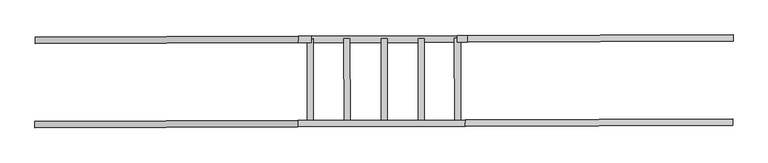
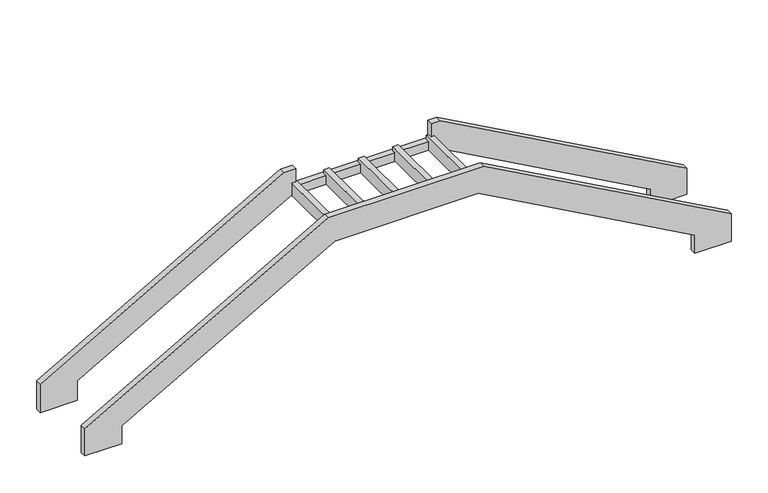
"""IFC4 building model written with IfcOpenShell, lengths in millimetres: stair geometry."""

from ifc_helpers import new_model, si_unit, origin, place, context, project, spatial, faceted_brep, source, transform, mapped, element, save


def stair_33ac8c1d(model_context):
    return source(origin(), model_context, "Body", "Brep", [
        faceted_brep([(-28758.4966228, 100265.217932, -2149.9020301), (-25200.397339, 100278.1735122, -151.1765302), (-22801.1463202, 100286.9095498, -151.1765302), (-19184.2280679, 100300.0792989, -2162.107626), (-19184.2280679, 100300.0792989, -2483.2639797), (-18574.5668592, 100302.299168, -2483.2639797), (-18574.5668592, 100302.299168, -2004.1489021), (-22716.6520989, 100287.2172061, 298.7640832), (-25312.0433487, 100277.7669922, 298.7640832), (-29378.113204, 100262.9618138, -1985.3086354), (-29378.113204, 100262.9618138, -2464.9395685), (-28758.4966228, 100265.217932, -2464.9395685), (-28758.8614496, 100365.4133641, -2149.9020301), (-28758.8614496, 100365.4133641, -2464.9395685), (-29378.4780308, 100363.157246, -2464.9395685), (-29378.4780308, 100363.157246, -1985.3086354), (-25312.4081755, 100377.9624243, 298.7640832), (-22717.0169257, 100387.4126383, 298.7640832), (-18574.931686, 100402.4946001, -2004.1489021), (-18574.931686, 100402.4946001, -2483.2639797), (-19184.5928947, 100400.274731, -2483.2639797), (-19184.5928947, 100400.274731, -2162.107626), (-22801.511147, 100387.104982, -151.1765302), (-25200.7621658, 100378.3689444, -151.1765302), (-25160.3564857, 100378.5160676, -143.9867204), (-25065.384172, 100378.8618762, -143.9867204), (-25065.384172, 100378.8618762, 70.875), (-25160.3564857, 100378.5160676, 70.875), (-24592.1597816, 100380.5849581, -143.9867204), (-24497.187468, 100380.9307668, -143.9867204), (-24497.187468, 100380.9307668, 70.875), (-24592.1597816, 100380.5849581, 70.875), (-24015.3853225, 100382.6850816, -143.9867204), (-23920.4130089, 100383.0308902, -143.9867204), (-23920.4130089, 100383.0308902, 70.875), (-24015.3853225, 100382.6850816, 70.875), (-23442.3330489, 100384.771652, -143.9867204), (-23347.3607352, 100385.1174607, -143.9867204), (-23347.3607352, 100385.1174607, 70.875), (-23442.3330489, 100384.771652, 70.875), (-22882.1014762, 100386.8115403, -143.9867204), (-22784.6291792, 100387.1664518, -143.9867204), (-22784.6291792, 100387.1664518, 70.875), (-22882.1014762, 100386.8115403, 70.875), (-28753.2401381, 101567.9873908, -2153.4503186), (-25188.8242476, 101580.9659708, -151.1765302), (-22761.8968581, 101589.8027823, -151.1765302), (-19178.9715832, 101602.8487577, -2143.2082397), (-19178.9715832, 101602.8487577, -2453.5005751), (-18569.3103745, 101605.0686268, -2453.5005751), (-18569.3103745, 101605.0686268, -1990.2495158), (-22686.3957799, 101590.0776932, 298.7640832), (-22839.4111722, 101589.5205409, 298.7640832), (-22839.4111722, 101589.5205409, 70.875), (-22789.0078014, 101589.7040672, 70.875), (-22789.0078014, 101589.7040672, -143.9867204), (-22886.4800985, 101589.3491558, -143.9867204), (-22886.4800985, 101589.3491558, 0.8640832), (-23351.7393575, 101587.6550761, 0.8640832), (-23351.7393575, 101587.6550761, -143.9867204), (-23446.7116711, 101587.3092675, -143.9867204), (-23446.7116711, 101587.3092675, 0.8640832), (-23924.7916311, 101585.5685057, 0.8640832), (-23924.7916311, 101585.5685057, -143.9867204), (-24019.7639447, 101585.222697, -143.9867204), (-24019.7639447, 101585.222697, 0.8640832), (-24501.5660902, 101583.4683822, 0.8640832), (-24501.5660902, 101583.4683822, -143.9867204), (-24596.5384038, 101583.1225736, -143.9867204), (-24596.5384038, 101583.1225736, 0.8640832), (-25069.7627943, 101581.3994916, 0.8640832), (-25069.7627943, 101581.3994916, -143.9867204), (-25164.7351079, 101581.053683, -143.9867204), (-25164.7351079, 101581.053683, 70.875), (-25100.6380674, 101581.2870701, 70.875), (-25100.6380674, 101581.2870701, 298.7640832), (-25300.4702573, 101580.5594507, 298.7640832), (-29372.8567193, 101565.7312727, -1988.856924), (-29372.8567193, 101565.7312727, -2494.9395685), (-28753.2401381, 101567.9873908, -2494.9395685), (-28753.6049649, 101668.1828229, -2153.4503186), (-28753.6049649, 101668.1828229, -2494.9395685), (-29373.2215461, 101665.9267048, -2494.9395685), (-29373.2215461, 101665.9267048, -1988.856924), (-25300.8350841, 101680.7548828, 298.7640832), (-25101.0028942, 101681.4825022, 298.7640832), (-25101.0028942, 101681.4825022, 0.8640832), (-22839.775999, 101689.715973, 0.8640832), (-22839.775999, 101689.715973, 298.7640832), (-22686.7606067, 101690.2731253, 298.7640832), (-18569.6752013, 101705.264059, -1990.2495158), (-18569.6752013, 101705.264059, -2453.5005751), (-19179.33641, 101703.0441898, -2453.5005751), (-19179.33641, 101703.0441898, -2143.2082397), (-22762.2616849, 101689.9982144, -151.1765302), (-25189.1890744, 101681.1614029, -151.1765302), (-22839.6320158, 101650.1726898, 0.8640832), (-22839.6320158, 101650.1726898, 70.875), (-25100.8589111, 101641.939219, 0.8640832), (-25069.983638, 101642.0516406, 0.8640832), (-24596.7592475, 101643.7747225, 0.8640832), (-24501.7869339, 101644.1205311, 0.8640832), (-24019.9847884, 101645.874846, 0.8640832), (-23925.0124748, 101646.2206546, 0.8640832), (-23446.9325148, 101647.9614164, 0.8640832), (-23351.9602012, 101648.307225, 0.8640832), (-22886.7009422, 101650.0013047, 0.8640832), (-25100.8589111, 101641.939219, 70.875), (-24596.7592475, 101643.7747225, 70.875), (-24501.7869339, 101644.1205311, 70.875), (-24019.9847884, 101645.874846, 70.875), (-23925.0124748, 101646.2206546, 70.875), (-23446.9325148, 101647.9614164, 70.875), (-23351.9602012, 101648.307225, 70.875), (-25069.983638, 101642.0516406, 70.875), (-22886.7009422, 101650.0013047, 70.875)], [[[0, 1, 2, 3, 4, 5, 6, 7, 8, 9, 10, 11]], [[12, 13, 14, 15, 16, 17, 18, 19, 20, 21, 22, 23], [24, 25, 26, 27], [28, 29, 30, 31], [32, 33, 34, 35], [36, 37, 38, 39], [40, 41, 42, 43]], [[1, 0, 12, 23]], [[2, 1, 23, 22]], [[3, 2, 22, 21]], [[4, 3, 21, 20]], [[5, 4, 20, 19]], [[6, 5, 19, 18]], [[7, 6, 18, 17]], [[8, 7, 17, 16]], [[9, 8, 16, 15]], [[10, 9, 15, 14]], [[11, 10, 14, 13]], [[0, 11, 13, 12]], [[44, 45, 46, 47, 48, 49, 50, 51, 52, 53, 54, 55, 56, 57, 58, 59, 60, 61, 62, 63, 64, 65, 66, 67, 68, 69, 70, 71, 72, 73, 74, 75, 76, 77, 78, 79]], [[80, 81, 82, 83, 84, 85, 86, 87, 88, 89, 90, 91, 92, 93, 94, 95]], [[45, 44, 80, 95]], [[46, 45, 95, 94]], [[47, 46, 94, 93]], [[48, 47, 93, 92]], [[49, 48, 92, 91]], [[50, 49, 91, 90]], [[51, 50, 90, 89]], [[52, 51, 89, 88]], [[77, 76, 84, 83]], [[78, 77, 83, 82]], [[79, 78, 82, 81]], [[44, 79, 81, 80]], [[88, 87, 96, 97, 53, 52]], [[87, 86, 98, 99, 70, 69, 100, 101, 66, 65, 102, 103, 62, 61, 104, 105, 58, 57, 106, 96]], [[86, 85, 75, 74, 107, 98]], [[76, 75, 85, 84]], [[108, 109, 101, 100]], [[110, 111, 103, 102]], [[112, 113, 105, 104]], [[107, 114, 99, 98]], [[106, 115, 97, 96]], [[25, 24, 72, 71]], [[114, 26, 25, 71, 70, 99]], [[26, 114, 107, 74, 73, 27]], [[24, 27, 73, 72]], [[29, 28, 68, 67]], [[109, 30, 29, 67, 66, 101]], [[109, 108, 31, 30]], [[31, 108, 100, 69, 68, 28]], [[33, 32, 64, 63]], [[111, 34, 33, 63, 62, 103]], [[111, 110, 35, 34]], [[35, 110, 102, 65, 64, 32]], [[37, 36, 60, 59]], [[113, 38, 37, 59, 58, 105]], [[113, 112, 39, 38]], [[39, 112, 104, 61, 60, 36]], [[41, 40, 56, 55]], [[42, 41, 55, 54]], [[115, 43, 42, 54, 53, 97]], [[43, 115, 106, 57, 56, 40]]]),
    ])


if __name__ == "__main__":
    model = new_model("IFC4")
    model_context = context("Model", 3, world=origin())
    ifc_project = project(units=[si_unit("LENGTHUNIT", "METRE", prefix="MILLI")], contexts=[model_context])
    site = spatial("IfcSite", under=ifc_project)
    building = spatial("IfcBuilding", under=site)
    placement = place(None, origin())
    stair_shape = stair_33ac8c1d(model_context)
    element("IfcStair", 1, at=placement, inside=building, context=model_context, shape_type="MappedRepresentation", body=[
        mapped(stair_shape, transform((0.0, 0.0, 0.0), x_axis=(1.0, 0.0, 0.0), y_axis=(0.0, 1.0, 0.0), z_axis=(0.0, 0.0, 1.0))),
    ])
    save(model, "model.ifc")
